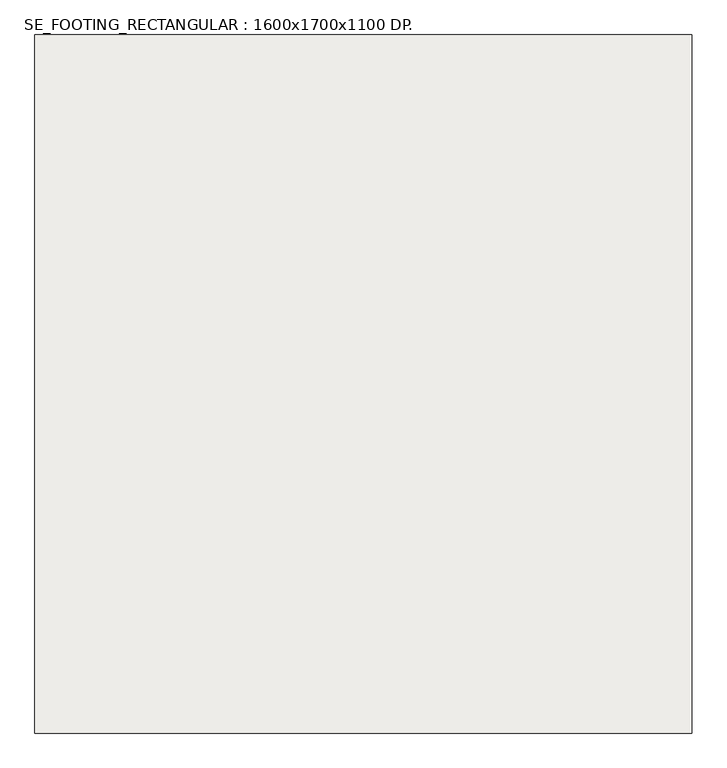
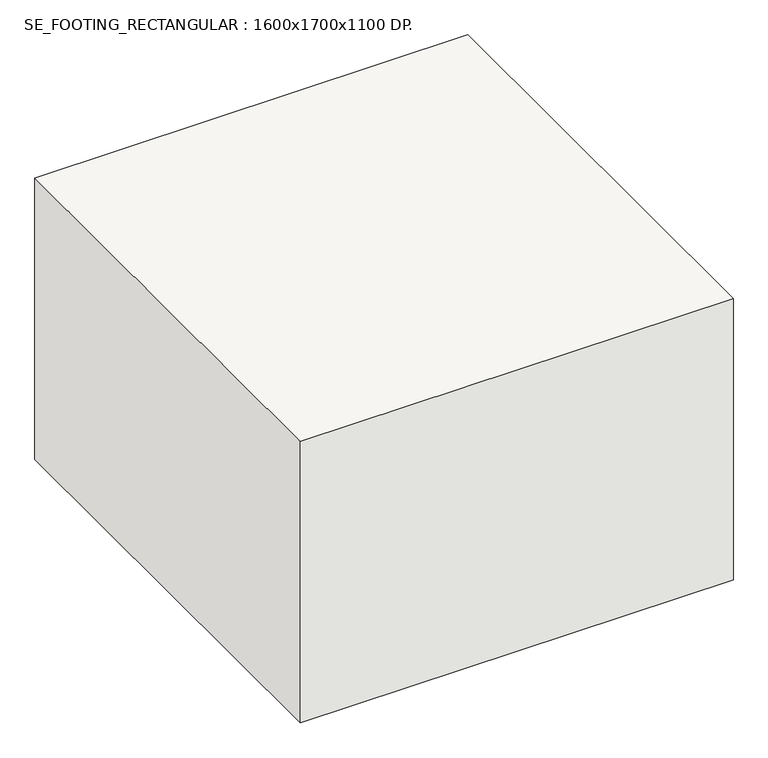
"""IFC4 building model written with IfcOpenShell, lengths in millimetres: slab geometry, SE_FOOTING_RECTANGULAR : 1600x1700x1100 DP.."""

from ifc_helpers import new_model, si_unit, frame, origin, place, context, project, spatial, polyline, outline, extrude, source, transform, mapped, element, save


def se_footing_rectangular_1600x1700x1100_dp_795ffc2e(model_context):
    return source(origin(), model_context, "Body", "SweptSolid", [
        extrude(outline(polyline([(800.0, 850.0), (800.0, -850.0), (-800.0, -850.0), (-800.0, 850.0), (800.0, 850.0)])), frame((0.0, 0.0, -1100.0), z_axis=(0.0, 0.0, 1.0), x_axis=(1.0, 0.0, 0.0)), (0.0, 0.0, 1.0), 1100.0),
    ])


if __name__ == "__main__":
    model = new_model("IFC4")
    model_context = context("Model", 3, world=origin())
    ifc_project = project(units=[si_unit("LENGTHUNIT", "METRE", prefix="MILLI")], contexts=[model_context])
    site = spatial("IfcSite", under=ifc_project)
    building = spatial("IfcBuilding", under=site)
    placement = place(None, origin())
    se_footing_rectangular_1600x1700x1100_dp_shape = se_footing_rectangular_1600x1700x1100_dp_795ffc2e(model_context)
    element("IfcSlab", 1, ObjectType="SE_FOOTING_RECTANGULAR : 1600x1700x1100 DP.", at=placement, inside=building, context=model_context, shape_type="MappedRepresentation", body=[
        mapped(se_footing_rectangular_1600x1700x1100_dp_shape, transform((0.0, 0.0, 0.0), x_axis=(1.0, 0.0, 0.0), y_axis=(0.0, 1.0, 0.0), z_axis=(0.0, 0.0, 1.0))),
    ])
    save(model, "model.ifc")
